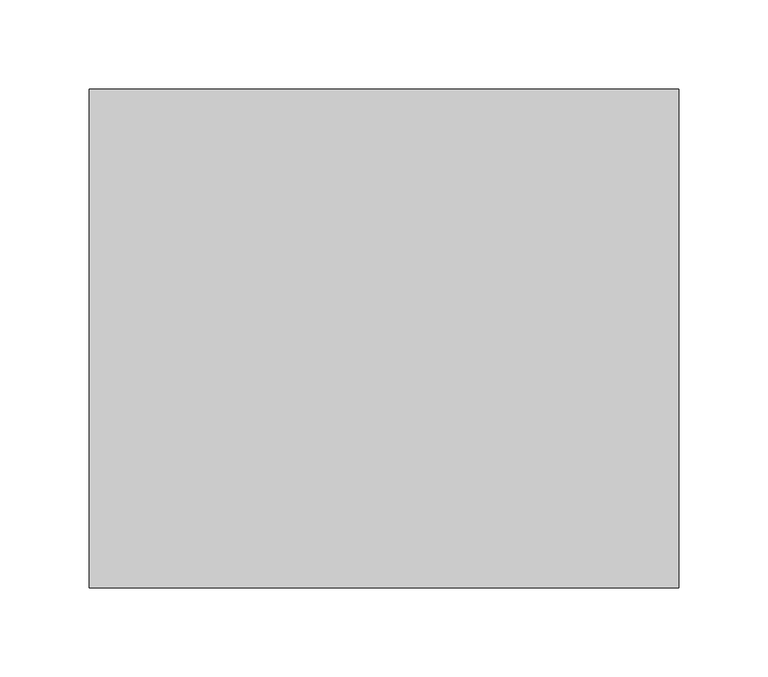
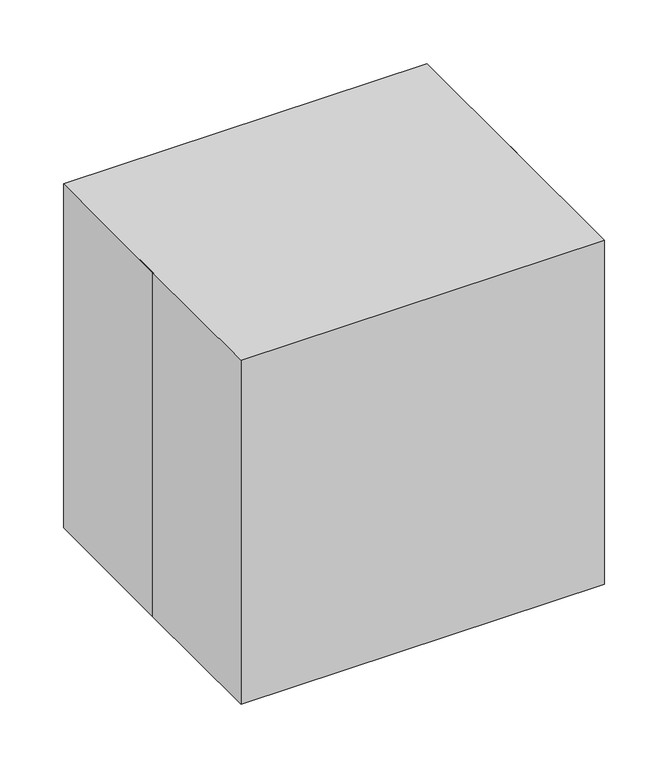
"""IFC4 building model written with IfcOpenShell, lengths in millimetres: proxy geometry."""

from ifc_helpers import new_model, si_unit, origin, origin_with_axes, place, context, project, spatial, polyline, outline, extrude, faceted_brep, source, transform, mapped, element, save


def specialty_equipment_460050f0(model_context):
    return source(origin(), model_context, "Body", "SolidModel", [
        extrude(outline(polyline([(-165.1, 139.7), (165.1, 139.7), (165.1, -139.7), (-165.1, -139.7), (-165.1, 0.0), (-165.1, 139.7)])), origin_with_axes(), (0.0, 0.0, 1.0), 330.2),
        faceted_brep([(165.1, 139.7, 0.0), (165.1, 139.7, 298.45), (165.1, 19.3829835, 298.45), (165.1, 19.3829835, 330.2), (165.1, -1.7923057, 330.2), (165.1, -1.7923057, 298.45), (165.1, -57.15, 298.45), (165.1, -139.7, 165.1), (165.1, -139.7, 0.0), (-165.1, 139.7, 0.0), (-165.1, -139.7, 0.0), (-165.1, -139.7, 165.1), (-165.1, -57.15, 298.45), (-165.1, -1.7923057, 298.45), (-165.1, -1.7923057, 330.2), (-165.1, 19.3829835, 330.2), (-165.1, 19.3829835, 298.45), (-165.1, 139.7, 298.45), (130.175, 19.3829835, 323.85), (-127.0, 19.3829835, 323.85), (-127.0, 19.3829835, 304.8), (130.175, 19.3829835, 304.8), (-127.0, -1.7923057, 323.85), (130.175, -1.7923057, 323.85), (130.175, -1.7923057, 304.8), (-127.0, -1.7923057, 304.8)], [[[0, 1, 2, 3, 4, 5, 6, 7, 8]], [[9, 10, 11, 12, 13, 14, 15, 16, 17]], [[1, 0, 9, 17]], [[2, 1, 17, 16]], [[3, 2, 16, 15], [18, 19, 20, 21]], [[4, 3, 15, 14]], [[5, 4, 14, 13], [22, 23, 24, 25]], [[6, 5, 13, 12]], [[7, 6, 12, 11]], [[8, 7, 11, 10]], [[0, 8, 10, 9]], [[22, 19, 18, 23]], [[19, 22, 25, 20]], [[20, 25, 24, 21]], [[23, 18, 21, 24]]]),
    ])


if __name__ == "__main__":
    model = new_model("IFC4")
    model_context = context("Model", 3, world=origin())
    ifc_project = project(units=[si_unit("LENGTHUNIT", "METRE", prefix="MILLI")], contexts=[model_context])
    site = spatial("IfcSite", under=ifc_project)
    building = spatial("IfcBuilding", under=site)
    placement = place(None, origin())
    specialty_equipment_shape = specialty_equipment_460050f0(model_context)
    element("IfcBuildingElementProxy", 1, Name="Specialty Equipment", at=placement, inside=building, context=model_context, shape_type="MappedRepresentation", body=[
        mapped(specialty_equipment_shape, transform((0.0, 0.0, 0.0), x_axis=(1.0, 0.0, 0.0), y_axis=(0.0, 1.0, 0.0), z_axis=(0.0, 0.0, 1.0))),
    ])
    save(model, "model.ifc")
